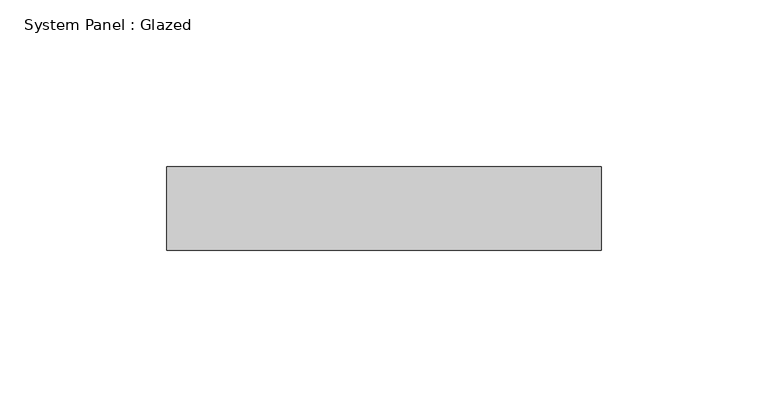
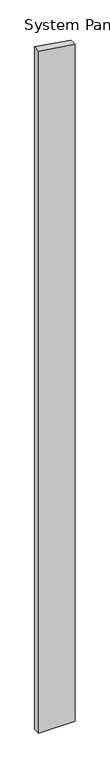
"""IFC4 building model written with IfcOpenShell, lengths in millimetres: plate geometry, System Panel : Glazed."""

import ifcopenshell
import ifcopenshell.guid

model = None  # the IFC model being written
_history = None  # IfcOwnerHistory: only IFC2X3 demands one
_inside = {}  # id of a spatial element -> (the spatial element, [elements in it])
_under = {}  # id of a project, library or spatial element -> (it, [spatial elements below it])
_declared = {}  # id of a project -> (the project, [libraries it declares])
_typed = {}  # id of a type object -> (the type object, [elements of that type])
_made_of = {}  # id of a material, layer set ... -> (it, [elements and type objects made of it])


def new_model(schema):
    """Start an empty IFC model of exactly this schema.

    Asked for "IFC4X3", IfcOpenShell would pick the latest addendum, in which some entities
    have other attributes; the version numbers below select the first issue.
    IFC2X3 requires an IfcOwnerHistory on every rooted entity: one is made here for all.
    """
    global model, _history
    if schema == "IFC4X3":
        model = ifcopenshell.file(schema_version=(4, 3, 0, 0))
    else:
        model = ifcopenshell.file(schema=schema)
    _inside.clear()
    _under.clear()
    _declared.clear()
    _typed.clear()
    _made_of.clear()
    _history = None
    if model.schema == "IFC2X3":
        org = make("IfcOrganization", Name="unknown")
        user = make(
            "IfcPersonAndOrganization",
            ThePerson=make("IfcPerson", FamilyName="unknown"),
            TheOrganization=org,
        )
        app = make(
            "IfcApplication",
            ApplicationDeveloper=org,
            Version="unknown",
            ApplicationFullName="unknown",
            ApplicationIdentifier="unknown",
        )
        _history = make(
            "IfcOwnerHistory",
            OwningUser=user,
            OwningApplication=app,
            ChangeAction="ADDED",
            CreationDate=0,
        )
    return model


def make(cls, **values):
    """One entity of the class cls with the attributes given. An attribute that is None is left unset."""
    return model.create_entity(
        cls, **{name: value for name, value in values.items() if value is not None}
    )


def rooted(cls, **values):
    """An entity with a GlobalId (a new one), such as an element, a storey or a relation."""
    return make(cls, GlobalId=ifcopenshell.guid.new(), OwnerHistory=_history, **values)


def si_unit(unit_type, name, prefix=None):
    """IfcSIUnit, for example si_unit("LENGTHUNIT", "METRE", prefix="MILLI")."""
    return make("IfcSIUnit", UnitType=unit_type, Prefix=prefix, Name=name)


def assignment(units):
    """IfcUnitAssignment: the units of a project."""
    return None if units is None else make("IfcUnitAssignment", Units=units)


def point(xyz):
    """IfcCartesianPoint."""
    return None if xyz is None else make("IfcCartesianPoint", Coordinates=xyz)


def direction(xyz):
    """IfcDirection."""
    return None if xyz is None else make("IfcDirection", DirectionRatios=xyz)


def frame(location, z_axis=None, x_axis=None):
    """IfcAxis2Placement3D, a coordinate frame: its origin and axes. An axis left out is left unset."""
    return make(
        "IfcAxis2Placement3D",
        Location=point(location),
        Axis=direction(z_axis),
        RefDirection=direction(x_axis),
    )


def origin():
    """The frame at (0, 0, 0) with its axes left unset."""
    return frame((0.0, 0.0, 0.0))


def place(relative_to, where):
    """IfcLocalPlacement: puts the frame where relative to a parent placement (None: the world)."""
    return make(
        "IfcLocalPlacement", PlacementRelTo=relative_to, RelativePlacement=where
    )


def context(
    kind, dimensions, precision=None, world=None, true_north=None, identifier=None
):
    """IfcGeometricRepresentationContext, for example the 3D "Model" context."""
    return make(
        "IfcGeometricRepresentationContext",
        ContextIdentifier=identifier,
        ContextType=kind,
        CoordinateSpaceDimension=dimensions,
        Precision=precision,
        WorldCoordinateSystem=world,
        TrueNorth=true_north,
    )


def project(units=None, contexts=None):
    """IfcProject with its units and contexts."""
    return rooted(
        "IfcProject",
        Name="project",
        RepresentationContexts=contexts,
        UnitsInContext=assignment(units),
    )


def spatial(cls, under=None, at=None, **own):
    """A site, building, storey or space (cls), placed at a placement, below another one or the project."""
    s = rooted(cls, ObjectPlacement=at, **own)
    if under is not None:
        _under.setdefault(under.id(), (under, []))[1].append(s)
    return s


def polyline(points):
    """IfcPolyline through the points."""
    return make("IfcPolyline", Points=[point(p) for p in points])


def outline(outer, holes=None, kind="AREA"):
    """IfcArbitraryClosedProfileDef: a profile drawn as a closed curve; with holes, ...WithVoids."""
    if holes is None:
        return make("IfcArbitraryClosedProfileDef", ProfileType=kind, OuterCurve=outer)
    return make(
        "IfcArbitraryProfileDefWithVoids",
        ProfileType=kind,
        OuterCurve=outer,
        InnerCurves=holes,
    )


def extrude(swept, where, along, depth):
    """IfcExtrudedAreaSolid: the profile swept, set in the frame where, extruded along a direction by depth."""
    return make(
        "IfcExtrudedAreaSolid",
        SweptArea=swept,
        Position=where,
        ExtrudedDirection=direction(along),
        Depth=depth,
    )


def shape(context_of_items, identifier, shape_type, items):
    """IfcShapeRepresentation: the items that make up one representation, for example the "Body"."""
    return make(
        "IfcShapeRepresentation",
        ContextOfItems=context_of_items,
        RepresentationIdentifier=identifier,
        RepresentationType=shape_type,
        Items=items,
    )


def source(mapping_origin, context_of_items, identifier, shape_type, items):
    """IfcRepresentationMap: a shape defined once, which mapped items show again and again."""
    return make(
        "IfcRepresentationMap",
        MappingOrigin=mapping_origin,
        MappedRepresentation=shape(context_of_items, identifier, shape_type, items),
    )


def transform(
    local_origin,
    x_axis=None,
    y_axis=None,
    z_axis=None,
    scale=None,
    scale2=None,
    scale3=None,
    uniform=True,
):
    """IfcCartesianTransformationOperator3D, or its non-uniform kind. x_axis, y_axis, z_axis: its Axis1, 2, 3."""
    if uniform:
        return make(
            "IfcCartesianTransformationOperator3D",
            Axis1=direction(x_axis),
            Axis2=direction(y_axis),
            LocalOrigin=point(local_origin),
            Scale=scale,
            Axis3=direction(z_axis),
        )
    return make(
        "IfcCartesianTransformationOperator3DnonUniform",
        Axis1=direction(x_axis),
        Axis2=direction(y_axis),
        LocalOrigin=point(local_origin),
        Scale=scale,
        Axis3=direction(z_axis),
        Scale2=scale2,
        Scale3=scale3,
    )


def mapped(mapping_source, mapping_target):
    """IfcMappedItem: shows the shape of a source again, moved by a transform."""
    return make(
        "IfcMappedItem", MappingSource=mapping_source, MappingTarget=mapping_target
    )


def made_of(thing, what):
    """Note that an element or type object is made of a material, layer set ...; save() writes the relation."""
    if what is not None:
        _made_of.setdefault(what.id(), (what, []))[1].append(thing)
    return thing


def element(
    cls,
    number,
    at=None,
    inside=None,
    cuts=None,
    type_object=None,
    material=None,
    context=None,
    identifier="Body",
    shape_type=None,
    held_by="IfcProductDefinitionShape",
    body=None,
    shapes=None,
    **own,
):
    """One element of the class cls, such as IfcWall. Its Tag is "e" and its number.

    at: its placement. inside: the storey or other place that contains it. cuts: it is an
    opening in that element (IfcRelVoidsElement). A single representation is given by context,
    identifier, shape_type and body (its items); several are given by shapes. held_by: the class
    of the entity that holds the representations. save() writes the other relations.
    """
    e = rooted(cls, Tag="e%d" % number, ObjectPlacement=at, **own)
    if body is not None:
        shapes = [shape(context, identifier, shape_type, body)]
    if shapes is not None:
        e.Representation = make(held_by, Representations=shapes)
    if inside is not None:
        _inside.setdefault(inside.id(), (inside, []))[1].append(e)
    if cuts is not None:
        rooted(
            "IfcRelVoidsElement", RelatingBuildingElement=cuts, RelatedOpeningElement=e
        )
    if type_object is not None:
        _typed.setdefault(type_object.id(), (type_object, []))[1].append(e)
    return made_of(e, material)


def aggregate(whole, parts):
    """IfcRelAggregates: a whole, such as a stair, and the parts it consists of."""
    return rooted("IfcRelAggregates", RelatingObject=whole, RelatedObjects=parts)


def save(model, path):
    """Write the relations noted so far, then the file.

    IfcRelAggregates (storeys below a building ...), IfcRelContainedInSpatialStructure (elements
    in a storey), IfcRelDefinesByType, IfcRelAssociatesMaterial and IfcRelDeclares: one each for
    every whole, place, type object, material and project.
    """
    for whole, parts in _under.values():
        aggregate(whole, parts)
    for where, things in _inside.values():
        rooted(
            "IfcRelContainedInSpatialStructure",
            RelatedElements=things,
            RelatingStructure=where,
        )
    for kind, things in _typed.values():
        rooted("IfcRelDefinesByType", RelatedObjects=things, RelatingType=kind)
    for what, things in _made_of.values():
        rooted("IfcRelAssociatesMaterial", RelatedObjects=things, RelatingMaterial=what)
    for by, libraries in _declared.values():
        rooted("IfcRelDeclares", RelatingContext=by, RelatedDefinitions=libraries)
    model.write(path)


def system_panel_glazed_2048dae6(model_context):
    return source(origin(), model_context, "Body", "SweptSolid", [
        extrude(outline(polyline([(0.0, -65.0), (0.0, 65.0), (2549.6914063, 65.0), (2568.9202829, -65.0), (0.0, -65.0)])), frame((0.0, 24.5, 0.0), z_axis=(0.0, 1.0, 0.0), x_axis=(0.0, 0.0, 1.0)), (0.0, 0.0, 1.0), 25.0),
    ])


if __name__ == "__main__":
    model = new_model("IFC4")
    model_context = context("Model", 3, world=origin())
    ifc_project = project(units=[si_unit("LENGTHUNIT", "METRE", prefix="MILLI")], contexts=[model_context])
    site = spatial("IfcSite", under=ifc_project)
    building = spatial("IfcBuilding", under=site)
    placement = place(None, origin())
    system_panel_glazed_shape = system_panel_glazed_2048dae6(model_context)
    element("IfcPlate", 1, ObjectType="System Panel : Glazed", at=placement, inside=building, context=model_context, shape_type="MappedRepresentation", body=[
        mapped(system_panel_glazed_shape, transform((0.0, 0.0, 0.0), x_axis=(1.0, 0.0, 0.0), y_axis=(0.0, 1.0, 0.0), z_axis=(0.0, 0.0, 1.0))),
    ])
    save(model, "model.ifc")
